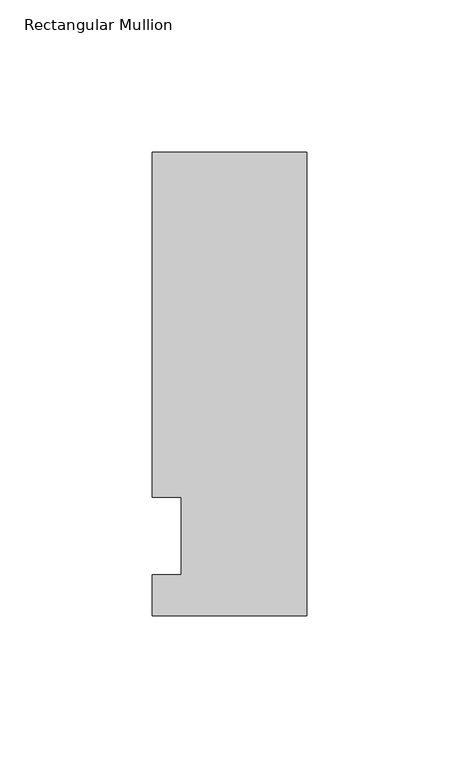
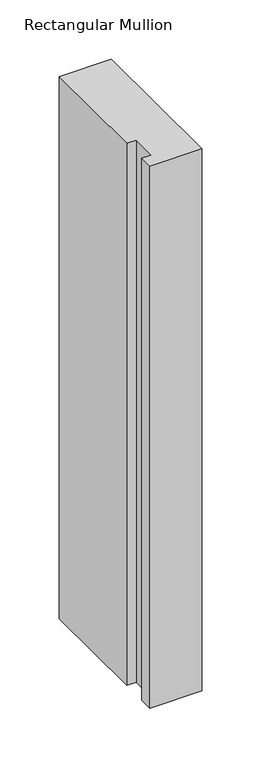
"""IFC4 building model written with IfcOpenShell, lengths in millimetres: member geometry, Rectangular Mullion."""

from ifc_helpers import new_model, si_unit, frame, origin, place, context, project, spatial, polyline, outline, extrude, source, transform, mapped, element, save


def rectangular_mullion_03dd177b(model_context):
    return source(origin(), model_context, "Body", "SweptSolid", [
        extrude(outline(polyline([(-50.8, -26.19375), (-50.8, -12.7), (-41.275, -12.7), (-41.275, 12.7), (-50.8, 12.7), (-50.8, 126.20625), (0.0, 126.20625), (0.0, -26.19375), (-50.8, -26.19375)])), frame((0.0, 0.0, -558.8), z_axis=(0.0, 0.0, 1.0), x_axis=(1.0, 0.0, 0.0)), (0.0, 0.0, 1.0), 558.8),
    ])


if __name__ == "__main__":
    model = new_model("IFC4")
    model_context = context("Model", 3, world=origin())
    ifc_project = project(units=[si_unit("LENGTHUNIT", "METRE", prefix="MILLI")], contexts=[model_context])
    site = spatial("IfcSite", under=ifc_project)
    building = spatial("IfcBuilding", under=site)
    placement = place(None, origin())
    rectangular_mullion_shape = rectangular_mullion_03dd177b(model_context)
    element("IfcMember", 1, ObjectType="Rectangular Mullion", at=placement, inside=building, context=model_context, shape_type="MappedRepresentation", body=[
        mapped(rectangular_mullion_shape, transform((0.0, 0.0, 0.0), x_axis=(1.0, 0.0, 0.0), y_axis=(0.0, 1.0, 0.0), z_axis=(0.0, 0.0, 1.0))),
    ])
    save(model, "model.ifc")
